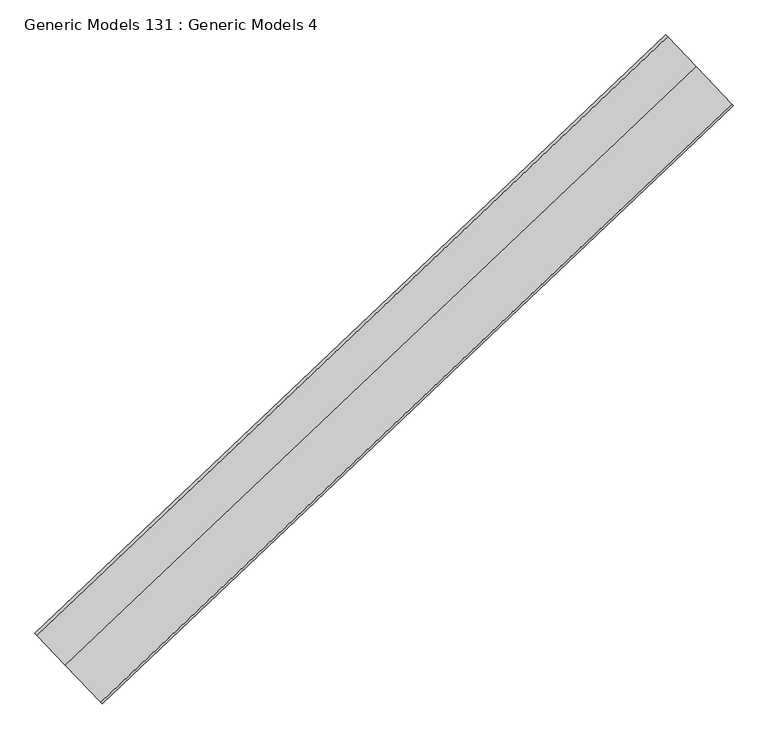
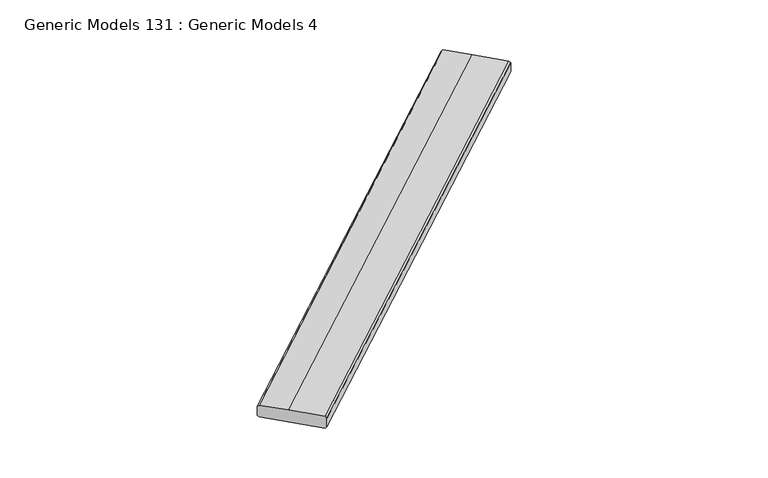
"""IFC4 building model written with IfcOpenShell, lengths in millimetres: proxy geometry, Generic Models 131 : Generic Models 4."""

import ifcopenshell
import ifcopenshell.guid

model = None  # the IFC model being written
_history = None  # IfcOwnerHistory: only IFC2X3 demands one
_inside = {}  # id of a spatial element -> (the spatial element, [elements in it])
_under = {}  # id of a project, library or spatial element -> (it, [spatial elements below it])
_declared = {}  # id of a project -> (the project, [libraries it declares])
_typed = {}  # id of a type object -> (the type object, [elements of that type])
_made_of = {}  # id of a material, layer set ... -> (it, [elements and type objects made of it])


def new_model(schema):
    """Start an empty IFC model of exactly this schema.

    Asked for "IFC4X3", IfcOpenShell would pick the latest addendum, in which some entities
    have other attributes; the version numbers below select the first issue.
    IFC2X3 requires an IfcOwnerHistory on every rooted entity: one is made here for all.
    """
    global model, _history
    if schema == "IFC4X3":
        model = ifcopenshell.file(schema_version=(4, 3, 0, 0))
    else:
        model = ifcopenshell.file(schema=schema)
    _inside.clear()
    _under.clear()
    _declared.clear()
    _typed.clear()
    _made_of.clear()
    _history = None
    if model.schema == "IFC2X3":
        org = make("IfcOrganization", Name="unknown")
        user = make(
            "IfcPersonAndOrganization",
            ThePerson=make("IfcPerson", FamilyName="unknown"),
            TheOrganization=org,
        )
        app = make(
            "IfcApplication",
            ApplicationDeveloper=org,
            Version="unknown",
            ApplicationFullName="unknown",
            ApplicationIdentifier="unknown",
        )
        _history = make(
            "IfcOwnerHistory",
            OwningUser=user,
            OwningApplication=app,
            ChangeAction="ADDED",
            CreationDate=0,
        )
    return model


def make(cls, **values):
    """One entity of the class cls with the attributes given. An attribute that is None is left unset."""
    return model.create_entity(
        cls, **{name: value for name, value in values.items() if value is not None}
    )


def rooted(cls, **values):
    """An entity with a GlobalId (a new one), such as an element, a storey or a relation."""
    return make(cls, GlobalId=ifcopenshell.guid.new(), OwnerHistory=_history, **values)


def si_unit(unit_type, name, prefix=None):
    """IfcSIUnit, for example si_unit("LENGTHUNIT", "METRE", prefix="MILLI")."""
    return make("IfcSIUnit", UnitType=unit_type, Prefix=prefix, Name=name)


def assignment(units):
    """IfcUnitAssignment: the units of a project."""
    return None if units is None else make("IfcUnitAssignment", Units=units)


def point(xyz):
    """IfcCartesianPoint."""
    return None if xyz is None else make("IfcCartesianPoint", Coordinates=xyz)


def direction(xyz):
    """IfcDirection."""
    return None if xyz is None else make("IfcDirection", DirectionRatios=xyz)


def frame(location, z_axis=None, x_axis=None):
    """IfcAxis2Placement3D, a coordinate frame: its origin and axes. An axis left out is left unset."""
    return make(
        "IfcAxis2Placement3D",
        Location=point(location),
        Axis=direction(z_axis),
        RefDirection=direction(x_axis),
    )


def origin():
    """The frame at (0, 0, 0) with its axes left unset."""
    return frame((0.0, 0.0, 0.0))


def place(relative_to, where):
    """IfcLocalPlacement: puts the frame where relative to a parent placement (None: the world)."""
    return make(
        "IfcLocalPlacement", PlacementRelTo=relative_to, RelativePlacement=where
    )


def context(
    kind, dimensions, precision=None, world=None, true_north=None, identifier=None
):
    """IfcGeometricRepresentationContext, for example the 3D "Model" context."""
    return make(
        "IfcGeometricRepresentationContext",
        ContextIdentifier=identifier,
        ContextType=kind,
        CoordinateSpaceDimension=dimensions,
        Precision=precision,
        WorldCoordinateSystem=world,
        TrueNorth=true_north,
    )


def project(units=None, contexts=None):
    """IfcProject with its units and contexts."""
    return rooted(
        "IfcProject",
        Name="project",
        RepresentationContexts=contexts,
        UnitsInContext=assignment(units),
    )


def spatial(cls, under=None, at=None, **own):
    """A site, building, storey or space (cls), placed at a placement, below another one or the project."""
    s = rooted(cls, ObjectPlacement=at, **own)
    if under is not None:
        _under.setdefault(under.id(), (under, []))[1].append(s)
    return s


def polyline(points):
    """IfcPolyline through the points."""
    return make("IfcPolyline", Points=[point(p) for p in points])


def outline(outer, holes=None, kind="AREA"):
    """IfcArbitraryClosedProfileDef: a profile drawn as a closed curve; with holes, ...WithVoids."""
    if holes is None:
        return make("IfcArbitraryClosedProfileDef", ProfileType=kind, OuterCurve=outer)
    return make(
        "IfcArbitraryProfileDefWithVoids",
        ProfileType=kind,
        OuterCurve=outer,
        InnerCurves=holes,
    )


def extrude(swept, where, along, depth):
    """IfcExtrudedAreaSolid: the profile swept, set in the frame where, extruded along a direction by depth."""
    return make(
        "IfcExtrudedAreaSolid",
        SweptArea=swept,
        Position=where,
        ExtrudedDirection=direction(along),
        Depth=depth,
    )


def shape(context_of_items, identifier, shape_type, items):
    """IfcShapeRepresentation: the items that make up one representation, for example the "Body"."""
    return make(
        "IfcShapeRepresentation",
        ContextOfItems=context_of_items,
        RepresentationIdentifier=identifier,
        RepresentationType=shape_type,
        Items=items,
    )


def source(mapping_origin, context_of_items, identifier, shape_type, items):
    """IfcRepresentationMap: a shape defined once, which mapped items show again and again."""
    return make(
        "IfcRepresentationMap",
        MappingOrigin=mapping_origin,
        MappedRepresentation=shape(context_of_items, identifier, shape_type, items),
    )


def transform(
    local_origin,
    x_axis=None,
    y_axis=None,
    z_axis=None,
    scale=None,
    scale2=None,
    scale3=None,
    uniform=True,
):
    """IfcCartesianTransformationOperator3D, or its non-uniform kind. x_axis, y_axis, z_axis: its Axis1, 2, 3."""
    if uniform:
        return make(
            "IfcCartesianTransformationOperator3D",
            Axis1=direction(x_axis),
            Axis2=direction(y_axis),
            LocalOrigin=point(local_origin),
            Scale=scale,
            Axis3=direction(z_axis),
        )
    return make(
        "IfcCartesianTransformationOperator3DnonUniform",
        Axis1=direction(x_axis),
        Axis2=direction(y_axis),
        LocalOrigin=point(local_origin),
        Scale=scale,
        Axis3=direction(z_axis),
        Scale2=scale2,
        Scale3=scale3,
    )


def mapped(mapping_source, mapping_target):
    """IfcMappedItem: shows the shape of a source again, moved by a transform."""
    return make(
        "IfcMappedItem", MappingSource=mapping_source, MappingTarget=mapping_target
    )


def made_of(thing, what):
    """Note that an element or type object is made of a material, layer set ...; save() writes the relation."""
    if what is not None:
        _made_of.setdefault(what.id(), (what, []))[1].append(thing)
    return thing


def element(
    cls,
    number,
    at=None,
    inside=None,
    cuts=None,
    type_object=None,
    material=None,
    context=None,
    identifier="Body",
    shape_type=None,
    held_by="IfcProductDefinitionShape",
    body=None,
    shapes=None,
    **own,
):
    """One element of the class cls, such as IfcWall. Its Tag is "e" and its number.

    at: its placement. inside: the storey or other place that contains it. cuts: it is an
    opening in that element (IfcRelVoidsElement). A single representation is given by context,
    identifier, shape_type and body (its items); several are given by shapes. held_by: the class
    of the entity that holds the representations. save() writes the other relations.
    """
    e = rooted(cls, Tag="e%d" % number, ObjectPlacement=at, **own)
    if body is not None:
        shapes = [shape(context, identifier, shape_type, body)]
    if shapes is not None:
        e.Representation = make(held_by, Representations=shapes)
    if inside is not None:
        _inside.setdefault(inside.id(), (inside, []))[1].append(e)
    if cuts is not None:
        rooted(
            "IfcRelVoidsElement", RelatingBuildingElement=cuts, RelatedOpeningElement=e
        )
    if type_object is not None:
        _typed.setdefault(type_object.id(), (type_object, []))[1].append(e)
    return made_of(e, material)


def aggregate(whole, parts):
    """IfcRelAggregates: a whole, such as a stair, and the parts it consists of."""
    return rooted("IfcRelAggregates", RelatingObject=whole, RelatedObjects=parts)


def save(model, path):
    """Write the relations noted so far, then the file.

    IfcRelAggregates (storeys below a building ...), IfcRelContainedInSpatialStructure (elements
    in a storey), IfcRelDefinesByType, IfcRelAssociatesMaterial and IfcRelDeclares: one each for
    every whole, place, type object, material and project.
    """
    for whole, parts in _under.values():
        aggregate(whole, parts)
    for where, things in _inside.values():
        rooted(
            "IfcRelContainedInSpatialStructure",
            RelatedElements=things,
            RelatingStructure=where,
        )
    for kind, things in _typed.values():
        rooted("IfcRelDefinesByType", RelatedObjects=things, RelatingType=kind)
    for what, things in _made_of.values():
        rooted("IfcRelAssociatesMaterial", RelatedObjects=things, RelatingMaterial=what)
    for by, libraries in _declared.values():
        rooted("IfcRelDeclares", RelatingContext=by, RelatedDefinitions=libraries)
    model.write(path)


def generic_models_131_generic_models_4_7be0d9d9(model_context):
    return source(origin(), model_context, "Body", "SweptSolid", [
        extrude(outline(polyline([(-482.6, 88.9), (-470.8755504, 100.6244497), (-203.2, 105.6679688), (12.7, 101.6), (25.4, 88.9), (25.4, 12.7), (12.7, 0.0), (-469.9, 0.0), (-482.6, 12.7), (-482.6, 88.9)])), frame((99802.7147047, 57257.3996079, 17682.4095166), z_axis=(0.7253743710122708, 0.6883545756937719, 0.0), x_axis=(-0.6883545756937719, 0.7253743710122708, 0.0)), (0.0, 0.0, 1.0), 4530.725),
    ])


if __name__ == "__main__":
    model = new_model("IFC4")
    model_context = context("Model", 3, world=origin())
    ifc_project = project(units=[si_unit("LENGTHUNIT", "METRE", prefix="MILLI")], contexts=[model_context])
    site = spatial("IfcSite", under=ifc_project)
    building = spatial("IfcBuilding", under=site)
    placement = place(None, origin())
    generic_models_131_generic_models_4_shape = generic_models_131_generic_models_4_7be0d9d9(model_context)
    element("IfcBuildingElementProxy", 1, Name="Generic Models 131 : Generic Models 4", ObjectType="Generic Models 131 : Generic Models 4", at=placement, inside=building, context=model_context, shape_type="MappedRepresentation", body=[
        mapped(generic_models_131_generic_models_4_shape, transform((0.0, 0.0, 0.0), x_axis=(1.0, 0.0, 0.0), y_axis=(0.0, 1.0, 0.0), z_axis=(0.0, 0.0, 1.0))),
    ])
    save(model, "model.ifc")
